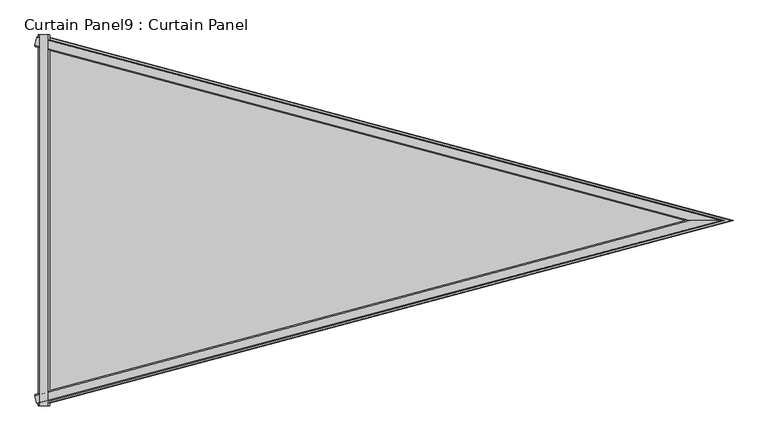
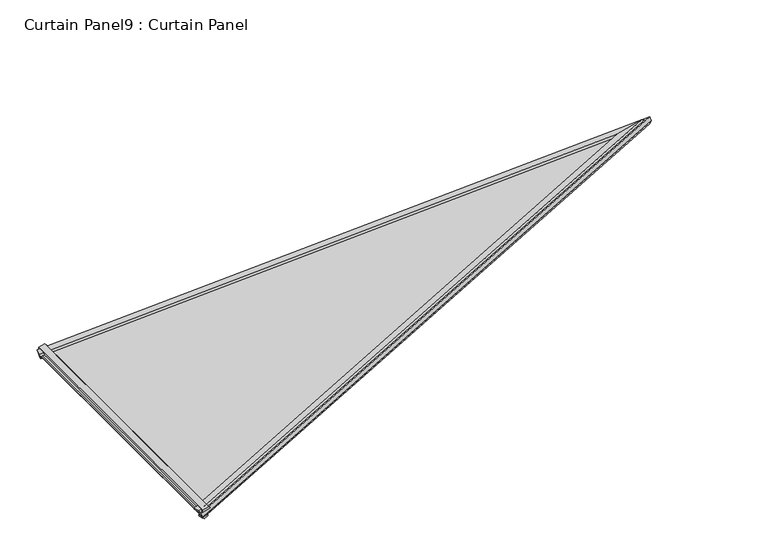
"""IFC4 building model written with IfcOpenShell, lengths in millimetres: plate geometry, Curtain Panel9 : Curtain Panel."""

from ifc_helpers import new_model, si_unit, frame, origin, place, context, project, spatial, polyline, outline, extrude, faceted_brep, source, transform, mapped, element, save


def curtain_panel9_curtain_panel_8b9c741a(model_context):
    return source(origin(), model_context, "Body", "SolidModel", [
        extrude(outline(polyline([(3575.5466813, -13664.2545611), (3581.0323033, -13644.4795287), (3585.3980109, -13648.4838456), (3580.8279227, -13664.4138442), (3575.5466813, -13664.2545611)])), frame((0.0, -14079.5257073, 0.0), z_axis=(0.0, 1.0, 0.0), x_axis=(0.0, 0.0, 1.0)), (0.0, 0.0, 1.0), 756.5490548),
        extrude(outline(polyline([(3565.8623318, -13651.2834555), (3562.1885866, -13664.526882), (3555.5496716, -13660.5366482), (3561.3125963, -13650.948346), (3565.8623318, -13651.2834555)])), frame((0.0, -14079.5257073, 0.0), z_axis=(0.0, 1.0, 0.0), x_axis=(0.0, 0.0, 1.0)), (0.0, 0.0, 1.0), 756.5490548),
        faceted_brep([(-13668.9905659, -14075.8142998, 3574.2329069), (-13670.665012, -14074.5962763, 3579.092711), (-13674.6959101, -14058.549648, 3578.1256256), (-13673.933772, -14055.944012, 3572.8616545), (-13668.9908744, -13326.6880504, 3574.2328213), (-13673.9340805, -13346.5583382, 3572.8615689), (-13674.6962187, -13343.9527022, 3578.12554), (-13670.6653205, -13327.9060739, 3579.0926254), (-12270.9356171, -13701.2512164, 3962.05533), (-12277.1563302, -13701.2512164, 3965.6539932), (-12341.0811928, -13701.2512164, 3948.0722372), (-12350.0445789, -13701.2512164, 3940.110392)], [[[0, 1, 2, 3]], [[4, 5, 6, 7]], [[1, 0, 8, 9]], [[2, 1, 9, 10]], [[3, 2, 10, 11]], [[0, 3, 11, 5, 4, 8]], [[9, 8, 4, 7]], [[10, 9, 7, 6]], [[11, 10, 6, 5]]]),
        faceted_brep([(-13667.9564222, -14066.2185162, 3561.2372273), (-13666.5981646, -14067.0510711, 3557.1449564), (-13663.6230737, -14078.1554951, 3557.1448708), (-13664.6459352, -14079.5257356, 3562.155561), (-13667.9567307, -13336.283834, 3561.2371417), (-13664.6462437, -13322.9766146, 3562.1554755), (-13663.6233823, -13324.346855, 3557.1447853), (-13666.5984731, -13335.4512791, 3557.1448708), (-12305.7176907, -13701.2512164, 3939.124181), (-12301.2519259, -13701.2512164, 3935.893937), (-12256.8296242, -13701.2512164, 3947.3913664), (-12252.7380697, -13701.2512164, 3953.8208029)], [[[0, 1, 2, 3]], [[4, 5, 6, 7]], [[1, 0, 8, 9]], [[2, 1, 9, 10]], [[3, 2, 10, 11]], [[0, 3, 11, 5, 4, 8]], [[9, 8, 4, 7]], [[10, 9, 7, 6]], [[11, 10, 6, 5]]]),
        extrude(outline(polyline([(-45.0385103, 0.0), (-1369.1894, -732.5309119), (-1558.3055441, 0.0), (-45.0385103, 0.0)])), frame((-12210.7162548, -13712.5095869, 3965.4777139), z_axis=(-0.267307160363566, 0.0, 0.9636113749942801), x_axis=(0.9330196459502093, -0.2499720885170779, 0.25882097139404403)), (0.0, 0.0, 1.0), 12.7992187),
    ])


if __name__ == "__main__":
    model = new_model("IFC4")
    model_context = context("Model", 3, world=origin())
    ifc_project = project(units=[si_unit("LENGTHUNIT", "METRE", prefix="MILLI")], contexts=[model_context])
    site = spatial("IfcSite", under=ifc_project)
    building = spatial("IfcBuilding", under=site)
    placement = place(None, origin())
    curtain_panel9_curtain_panel_shape = curtain_panel9_curtain_panel_8b9c741a(model_context)
    element("IfcPlate", 1, ObjectType="Curtain Panel9 : Curtain Panel", at=placement, inside=building, context=model_context, shape_type="MappedRepresentation", body=[
        mapped(curtain_panel9_curtain_panel_shape, transform((0.0, 0.0, 0.0), x_axis=(1.0, 0.0, 0.0), y_axis=(0.0, 1.0, 0.0), z_axis=(0.0, 0.0, 1.0))),
    ])
    save(model, "model.ifc")
